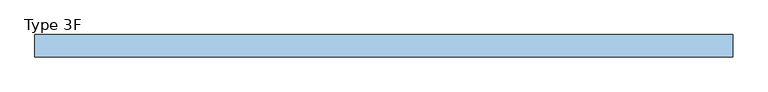
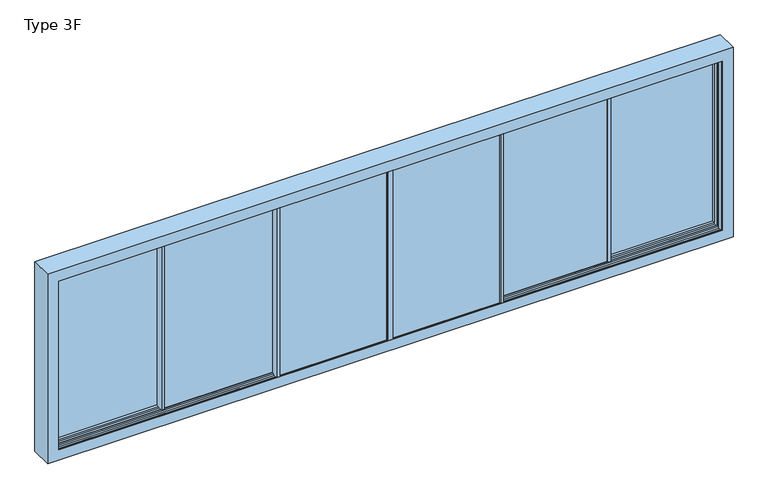
"""IFC4 building model written with IfcOpenShell, lengths in millimetres: window geometry, Type 3F."""

from ifc_helpers import new_model, si_unit, frame, origin, origin_with_axes, place, context, project, spatial, polyline, outline, extrude, faceted_brep, source, transform, mapped, element, save


def type_3f_d3a83ee2(model_context):
    return source(origin(), model_context, "Body", "SolidModel", [
        faceted_brep([(1525.3333333, -102.5, 0.0), (1545.1334063, -102.5, 0.0), (1545.1334063, -121.5001997, 0.0), (1525.3333333, -121.5001997, 0.0), (1545.1334063, -210.0, 0.0), (1510.3333333, -210.0, 0.0), (1510.3333333, -198.5, 0.0), (1545.1334063, -198.5, 0.0), (1525.3333333, -102.5, 2440.0), (1545.1334063, -102.5, 2440.0), (1545.1334063, -210.0, 2440.0), (1545.1334063, -198.5, -15.0), (1545.1334063, -121.5001997, -15.0), (1545.1334063, -121.5001997, 2440.0), (1545.1334063, -121.5001997, 2455.0), (1545.1334063, -198.5, 2455.0), (1545.1334063, -198.5, 2440.0), (1510.3333333, -210.0, 2440.0), (1510.3333333, -198.5, 2440.0), (1510.3333333, -187.0001997, 2440.0), (1510.3333333, -187.0001997, 0.0), (35.8002363, -198.5, 0.0), (35.8002363, -198.5, 2440.0), (6.0003093, -198.5, 2455.0), (6.0003093, -198.5, -15.0), (1525.3333333, -121.5001997, 2440.0), (6.0003093, -121.5001997, -15.0), (6.0003093, -121.5001997, 2455.0), (35.8002363, -121.5001997, 2440.0), (35.8002363, -121.5001997, 0.0), (1510.3333333, -121.5001997, 0.0), (1510.3333333, -121.5001997, 2440.0), (25.0002363, -187.0001997, -10.8), (25.0002363, -187.0001997, 2450.8), (1521.1333333, -187.0001997, 2450.8), (1521.1333333, -187.0001997, -10.8), (35.8002363, -187.0001997, 2440.0), (35.8002363, -187.0001997, 0.0), (25.0002363, -133.0001997, 2450.8), (25.0002363, -133.0001997, -10.8), (1521.1333333, -133.0001997, -10.8), (1521.1333333, -133.0001997, 2450.8), (35.8002363, -133.0001997, 0.0), (35.8002363, -133.0001997, 2440.0), (1510.3333333, -133.0001997, 2440.0), (1510.3333333, -133.0001997, 0.0)], [[[0, 1, 2, 3]], [[4, 5, 6, 7]], [[8, 9, 1, 0]], [[10, 4, 7, 11, 12, 2, 1, 9, 13, 14, 15, 16]], [[10, 17, 5, 4]], [[17, 18, 19, 20, 6, 5]], [[21, 22, 18, 16, 15, 23, 24, 11, 7, 6]], [[8, 0, 3, 25]], [[25, 3, 2, 12, 26, 27, 14, 13], [28, 29, 30, 31]], [[32, 33, 34, 35], [36, 37, 20, 19]], [[37, 21, 6, 20]], [[36, 22, 21, 37]], [[38, 33, 32, 39]], [[39, 32, 35, 40]], [[38, 39, 40, 41], [42, 43, 44, 45]], [[28, 43, 42, 29]], [[29, 42, 45, 30]], [[24, 26, 12, 11]], [[40, 35, 34, 41]], [[30, 45, 44, 31]], [[23, 27, 26, 24]], [[9, 8, 25, 13]], [[16, 18, 17, 10]], [[22, 36, 19, 18]], [[33, 38, 41, 34]], [[43, 28, 31, 44]], [[14, 27, 23, 15]]]),
        extrude(outline(polyline([(1521.1333333, -187.0001997), (25.0002363, -187.0001997), (25.0002363, -133.0001997), (1521.1333333, -133.0001997), (1521.1333333, -187.0001997)])), frame((0.0, 0.0, -10.8), z_axis=(0.0, 0.0, 1.0), x_axis=(1.0, 0.0, 0.0)), (0.0, 0.0, 1.0), 2461.6),
        extrude(outline(polyline([(-36.000173, -198.5), (35.8002363, -198.5), (35.8002363, -210.0), (-36.000173, -210.0), (-36.000173, -198.5)])), origin_with_axes(), (0.0, 0.0, 1.0), 2440.0),
        extrude(outline(polyline([(-36.000173, -110.0001997), (35.8002363, -110.0001997), (35.8002363, -121.5001997), (-36.000173, -121.5001997), (-36.000173, -110.0001997)])), origin_with_axes(), (0.0, 0.0, 1.0), 2440.0),
        faceted_brep([(-1525.3333333, -102.5, 0.0), (-1525.3333333, -121.5001997, 0.0), (-1545.1334063, -121.5001997, 0.0), (-1545.1334063, -102.5, 0.0), (-1545.1334063, -210.0, 0.0), (-1545.1334063, -198.5, 0.0), (-1510.3333333, -198.5, 0.0), (-1510.3333333, -210.0, 0.0), (-1525.3333333, -102.5, 2440.0), (-1545.1334063, -102.5, 2440.0), (-1545.1334063, -210.0, 2440.0), (-1545.1334063, -198.5, 2440.0), (-1545.1334063, -198.5, 2455.0), (-1545.1334063, -121.5001997, 2455.0), (-1545.1334063, -121.5001997, 2440.0), (-1545.1334063, -121.5001997, -15.0), (-1545.1334063, -198.5, -15.0), (-1510.3333333, -210.0, 2440.0), (-1510.3333333, -187.0001997, 0.0), (-1510.3333333, -187.0001997, 2440.0), (-1510.3333333, -198.5, 2440.0), (-35.8002363, -198.5, 0.0), (-6.0003093, -198.5, -15.0), (-6.0003093, -198.5, 2455.0), (-35.8002363, -198.5, 2440.0), (-1525.3333333, -121.5001997, 2440.0), (-6.0003093, -121.5001997, 2455.0), (-6.0003093, -121.5001997, -15.0), (-35.8002363, -121.5001997, 2440.0), (-1510.3333333, -121.5001997, 2440.0), (-1510.3333333, -121.5001997, 0.0), (-35.8002363, -121.5001997, 0.0), (-25.0002363, -187.0001997, -10.8), (-1521.1333333, -187.0001997, -10.8), (-1521.1333333, -187.0001997, 2450.8), (-25.0002363, -187.0001997, 2450.8), (-35.8002363, -187.0001997, 2440.0), (-35.8002363, -187.0001997, 0.0), (-25.0002363, -133.0001997, 2450.8), (-25.0002363, -133.0001997, -10.8), (-1521.1333333, -133.0001997, -10.8), (-1521.1333333, -133.0001997, 2450.8), (-35.8002363, -133.0001997, 0.0), (-1510.3333333, -133.0001997, 0.0), (-1510.3333333, -133.0001997, 2440.0), (-35.8002363, -133.0001997, 2440.0)], [[[0, 1, 2, 3]], [[4, 5, 6, 7]], [[8, 0, 3, 9]], [[10, 11, 12, 13, 14, 9, 3, 2, 15, 16, 5, 4]], [[10, 4, 7, 17]], [[17, 7, 6, 18, 19, 20]], [[21, 6, 5, 16, 22, 23, 12, 11, 20, 24]], [[8, 25, 1, 0]], [[25, 14, 13, 26, 27, 15, 2, 1], [28, 29, 30, 31]], [[32, 33, 34, 35], [36, 19, 18, 37]], [[37, 18, 6, 21]], [[36, 37, 21, 24]], [[38, 39, 32, 35]], [[39, 40, 33, 32]], [[38, 41, 40, 39], [42, 43, 44, 45]], [[28, 31, 42, 45]], [[31, 30, 43, 42]], [[22, 16, 15, 27]], [[40, 41, 34, 33]], [[30, 29, 44, 43]], [[23, 22, 27, 26]], [[9, 14, 25, 8]], [[11, 10, 17, 20]], [[24, 20, 19, 36]], [[35, 34, 41, 38]], [[45, 44, 29, 28]], [[13, 12, 23, 26]]]),
        extrude(outline(polyline([(-1521.1333333, -187.0001997), (-1521.1333333, -133.0001997), (-25.0002363, -133.0001997), (-25.0002363, -187.0001997), (-1521.1333333, -187.0001997)])), frame((0.0, 0.0, -10.8), z_axis=(0.0, 0.0, 1.0), x_axis=(1.0, 0.0, 0.0)), (0.0, 0.0, 1.0), 2461.6),
        faceted_brep([(4540.0, -198.5, 2440.0), (4540.0, -198.5, 0.0), (4540.0, -210.0, 0.0), (4540.0, -210.0, 2440.0), (4690.0, -210.0, 2590.0), (-4690.0, -210.0, 2590.0), (-4690.0, -210.0, -150.0), (4690.0, -210.0, -150.0), (-4540.0, -210.0, 0.0), (-4540.0, -210.0, 2440.0), (-4540.0, -198.5, 0.0), (4603.5, -198.5, -63.5), (-4603.5, -198.5, -63.5), (-4603.5, -198.5, 2503.5), (4603.5, -198.5, 2503.5), (-4540.0, -198.5, 2440.0), (4603.5, -121.5, -63.5), (-4603.5, -121.5, -63.5), (4603.5, -121.5, 2503.5), (-4603.5, -121.5, 2503.5), (4540.0, -121.5, 0.0), (-4540.0, -121.5, 0.0), (-4540.0, -121.5, 2440.0), (4540.0, -121.5, 2440.0), (4540.0, -98.5, 0.0), (-4540.0, -98.5, 0.0), (4603.5, -98.5, -63.5), (-4603.5, -98.5, -63.5), (-4603.5, -98.5, 2503.5), (4603.5, -98.5, 2503.5), (4540.0, -98.5, 2440.0), (-4540.0, -98.5, 2440.0), (4690.0, 90.0, -150.0), (4690.0, 90.0, 2590.0), (-4690.0, 90.0, -150.0), (-4690.0, 90.0, 2590.0), (4603.5, 78.5, -63.5), (4603.5, 78.5, 2503.5), (-4603.5, 78.5, 2503.5), (-4603.5, 78.5, -63.5), (3050.6666667, 78.5, 2455.0), (4555.0, 78.5, 2455.0), (4555.0, 78.5, -15.0), (3050.6666667, 78.5, -15.0), (3050.6666667, 78.5, 0.0), (3030.6666667, 78.5, 0.0), (-3030.6666667, 78.5, 0.0), (-3050.6666667, 78.5, 0.0), (-3050.6666667, 78.5, -15.0), (-4555.0, 78.5, -15.0), (-4555.0, 78.5, 2455.0), (-3050.6666667, 78.5, 2455.0), (-3050.6666667, 78.5, 2440.0), (-3030.6666667, 78.5, 2440.0), (3030.6666667, 78.5, 2440.0), (3050.6666667, 78.5, 2440.0), (4603.5, -21.5002996, -63.5), (-4603.5, -21.5002996, -63.5), (4603.5, -21.5002996, 2503.5), (-4603.5, -21.5002996, 2503.5), (-4540.0, 66.9995007, 2440.0), (-4540.0, 66.9995007, 0.0), (-4540.0, 90.0, 0.0), (-4540.0, 90.0, 2440.0), (3054.8666667, 12.9995007, 2450.8), (3054.8666667, 12.9995007, -10.8), (3054.8666667, 66.9995007, -10.8), (3054.8666667, 66.9995007, 2450.8), (4550.8, 66.9995007, -10.8), (4550.8, 66.9995007, 2450.8), (3065.6666667, 66.9995007, 2440.0), (4540.0, 66.9995007, 2440.0), (4540.0, 66.9995007, 0.0), (3065.6666667, 66.9995007, 0.0), (4550.8, 12.9995007, -10.8), (4550.8, 12.9995007, 2450.8), (3065.6666667, 12.9995007, 0.0), (4540.0, 12.9995007, 0.0), (4540.0, 12.9995007, 2440.0), (3065.6666667, 12.9995007, 2440.0), (3065.6666667, 89.9997004, 0.0), (3065.6666667, 89.9997004, 2440.0), (4540.0, 89.9997004, 0.0), (4540.0, 89.9997004, 2440.0), (-3065.6666667, 89.9997004, 0.0), (-3065.6666667, 89.9997004, 2440.0), (3030.6666667, 89.9997004, 2440.0), (-3030.6666667, 89.9997004, 2440.0), (-3030.6666667, 89.9997004, 0.0), (3030.6666667, 89.9997004, 0.0), (-3065.6666667, 66.9995007, 0.0), (3050.6666667, 1.4997004, -15.0), (3050.6666667, 1.4997004, 0.0), (3050.6666667, 1.4997004, 2440.0), (3050.6666667, 1.4997004, 2455.0), (4555.0, 1.4997004, -15.0), (3030.6666667, 1.4997004, 0.0), (4603.5, 1.4997004, -63.5), (-4603.5, 1.4997004, -63.5), (-4603.5, 1.4997004, 2503.5), (4603.5, 1.4997004, 2503.5), (3030.6666667, 1.4997004, 2440.0), (-3030.6666667, 1.4997004, 2440.0), (-3050.6666667, 1.4997004, 2440.0), (-3050.6666667, 1.4997004, 2455.0), (-4555.0, 1.4997004, 2455.0), (-4555.0, 1.4997004, -15.0), (-3050.6666667, 1.4997004, -15.0), (-3050.6666667, 1.4997004, 0.0), (-3030.6666667, 1.4997004, 0.0), (4555.0, 1.4997004, 2455.0), (3065.6666667, 1.4997004, 2440.0), (3065.6666667, 1.4997004, 0.0), (3050.6666667, 1.4997004, 0.0), (3050.6666667, -17.5002996, 0.0), (3030.6666667, -17.5002996, 0.0), (-3030.6666667, -17.5002996, 0.0), (-3050.6666667, -17.5002996, 0.0), (-3050.6666667, 1.4997004, 0.0), (-3065.6666667, 1.4997004, 0.0), (-3065.6666667, 12.9995007, 0.0), (-4540.0, 12.9995007, 0.0), (-4540.0, -21.5002996, 0.0), (4540.0, -21.5002996, 0.0), (3050.6666667, 1.4997004, 2440.0), (3030.6666667, -17.5002996, 2440.0), (4540.0, -21.5002996, 2440.0), (-4540.0, -21.5002996, 2440.0), (-4540.0, 12.9995007, 2440.0), (3050.6666667, -17.5002996, 2440.0), (-3065.6666667, 66.9995007, 2440.0), (-3065.6666667, 12.9995007, 2440.0), (-3065.6666667, 1.4997004, 2440.0), (-3050.6666667, 1.4997004, 2440.0), (-3050.6666667, -17.5002996, 2440.0), (-3030.6666667, -17.5002996, 2440.0), (-3054.8666667, 66.9995007, 2450.8), (-4550.8, 66.9995007, 2450.8), (-4550.8, 66.9995007, -10.8), (-3054.8666667, 66.9995007, -10.8), (-3054.8666667, 12.9995007, -10.8), (-4550.8, 12.9995007, -10.8), (-4550.8, 12.9995007, 2450.8), (-3054.8666667, 12.9995007, 2450.8)], [[[0, 1, 2, 3]], [[4, 5, 6, 7], [2, 8, 9, 3]], [[1, 10, 8, 2]], [[11, 12, 13, 14], [0, 15, 10, 1]], [[16, 17, 12, 11]], [[18, 19, 17, 16], [20, 21, 22, 23]], [[24, 25, 21, 20]], [[26, 27, 28, 29], [30, 31, 25, 24]], [[4, 7, 32, 33]], [[7, 6, 34, 32]], [[10, 15, 9, 8]], [[6, 5, 35, 34]], [[25, 31, 22, 21]], [[36, 37, 38, 39], [40, 41, 42, 43, 44, 45, 46, 47, 48, 49, 50, 51, 52, 53, 54, 55]], [[56, 57, 27, 26]], [[18, 16, 11, 14]], [[58, 56, 26, 29]], [[17, 19, 13, 12]], [[57, 59, 28, 27]], [[3, 9, 15, 0]], [[23, 22, 31, 30]], [[14, 13, 19, 18]], [[33, 35, 5, 4]], [[29, 28, 59, 58]], [[60, 61, 62, 63]], [[30, 24, 20, 23]], [[64, 65, 66, 67]], [[66, 68, 69, 67], [70, 71, 72, 73]], [[65, 74, 68, 66]], [[64, 75, 74, 65], [76, 77, 78, 79]], [[73, 80, 81, 70]], [[32, 34, 35, 33], [80, 82, 83, 81], [62, 84, 85, 63], [86, 87, 88, 89]], [[89, 88, 46, 45]], [[62, 61, 90, 84]], [[72, 82, 80, 73]], [[91, 92, 44, 43]], [[40, 55, 93, 94]], [[43, 42, 95, 91]], [[92, 96, 45, 44]], [[97, 98, 99, 100], [93, 101, 102, 103, 104, 105, 106, 107, 108, 109, 96, 92, 91, 95, 110, 94]], [[111, 112, 76, 79]], [[112, 113, 114, 115, 96, 109, 116, 117, 118, 119, 120, 121, 122, 123, 77, 76]], [[111, 124, 113, 112]], [[74, 75, 69, 68]], [[89, 45, 96, 115, 125, 101, 54, 86]], [[71, 83, 82, 72]], [[42, 41, 110, 95]], [[77, 123, 126, 78]], [[58, 59, 57, 56], [123, 122, 127, 126]], [[121, 128, 127, 122]], [[129, 125, 115, 114]], [[114, 113, 124, 129]], [[39, 98, 97, 36]], [[38, 99, 98, 39]], [[36, 97, 100, 37]], [[67, 69, 75, 64]], [[60, 63, 85, 130]], [[70, 81, 83, 71]], [[54, 53, 87, 86]], [[94, 110, 41, 40]], [[55, 54, 101, 93]], [[79, 78, 126, 127, 128, 131, 132, 133, 134, 135, 102, 101, 125, 129, 124, 111]], [[37, 100, 99, 38]], [[87, 53, 102, 135, 116, 109, 46, 88]], [[90, 130, 85, 84]], [[136, 137, 138, 139], [90, 61, 60, 130]], [[140, 141, 142, 143], [131, 128, 121, 120]], [[131, 120, 119, 132]], [[119, 118, 133, 132]], [[134, 133, 118, 117]], [[117, 116, 135, 134]], [[106, 105, 50, 49]], [[107, 106, 49, 48]], [[48, 47, 108, 107]], [[104, 103, 52, 51]], [[109, 108, 47, 46]], [[136, 139, 140, 143]], [[139, 138, 141, 140]], [[138, 137, 142, 141]], [[53, 52, 103, 102]], [[51, 50, 105, 104]], [[143, 142, 137, 136]]]),
        extrude(outline(polyline([(-3054.8666667, 66.9995007), (-3054.8666667, 12.9995007), (-4550.8, 12.9995007), (-4550.8, 66.9995007), (-3054.8666667, 66.9995007)])), frame((0.0, 0.0, -10.8), z_axis=(0.0, 0.0, 1.0), x_axis=(1.0, 0.0, 0.0)), (0.0, 0.0, 1.0), 2461.6),
        extrude(outline(polyline([(4550.8, 66.9995007), (4550.8, 12.9995007), (3054.8666667, 12.9995007), (3054.8666667, 66.9995007), (4550.8, 66.9995007)])), frame((0.0, 0.0, -10.8), z_axis=(0.0, 0.0, 1.0), x_axis=(1.0, 0.0, 0.0)), (0.0, 0.0, 1.0), 2461.6),
        faceted_brep([(4540.0, -198.5, -15.0), (4540.0, -121.5, -15.0), (4555.0, -121.5, -15.0), (4555.0, -198.5, -15.0), (4540.0, -198.5, 2455.0), (4555.0, -198.5, 2455.0), (4555.0, -121.5, 2455.0), (4540.0, -121.5, 2455.0)], [[[0, 1, 2, 3]], [[4, 0, 3, 5]], [[5, 3, 2, 6]], [[6, 2, 1, 7]], [[7, 1, 0, 4]], [[4, 5, 6, 7]]]),
        faceted_brep([(4540.0, -98.5, -15.0), (4540.0, -21.5, -15.0), (4555.0, -21.5, -15.0), (4555.0, -98.5, -15.0), (4540.0, -98.5, 2455.0), (4555.0, -98.5, 2455.0), (4555.0, -21.5, 2455.0), (4540.0, -21.5, 2455.0)], [[[0, 1, 2, 3]], [[4, 0, 3, 5]], [[5, 3, 2, 6]], [[6, 2, 1, 7]], [[7, 1, 0, 4]], [[4, 5, 6, 7]]]),
        faceted_brep([(-4540.0, -198.5, -15.0), (-4555.0, -198.5, -15.0), (-4555.0, -121.5, -15.0), (-4540.0, -121.5, -15.0), (-4540.0, -198.5, 2455.0), (-4540.0, -121.5, 2455.0), (-4555.0, -121.5, 2455.0), (-4555.0, -198.5, 2455.0)], [[[0, 1, 2, 3]], [[4, 0, 3, 5]], [[5, 3, 2, 6]], [[6, 2, 1, 7]], [[7, 1, 0, 4]], [[4, 5, 6, 7]]]),
        faceted_brep([(-4540.0, -98.5, -15.0), (-4555.0, -98.5, -15.0), (-4555.0, -21.5, -15.0), (-4540.0, -21.5, -15.0), (-4540.0, -98.5, 2455.0), (-4540.0, -21.5, 2455.0), (-4555.0, -21.5, 2455.0), (-4555.0, -98.5, 2455.0)], [[[0, 1, 2, 3]], [[4, 0, 3, 5]], [[5, 3, 2, 6]], [[6, 2, 1, 7]], [[7, 1, 0, 4]], [[4, 5, 6, 7]]]),
        faceted_brep([(1540.3333333, -21.5, 0.0), (1525.3333333, -21.5, 0.0), (1525.3333333, -98.5, 0.0), (1525.3333333, -117.5001997, 0.0), (1505.3333333, -117.5001997, 0.0), (1505.3333333, -10.0001997, 0.0), (1540.3333333, -10.0001997, 0.0), (1540.3333333, -21.5, 2440.0), (1540.3333333, -33.0001997, 2440.0), (1540.3333333, -33.0001997, 0.0), (1540.3333333, -10.0001997, 2440.0), (1505.3333333, -10.0001997, 2440.0), (1505.3333333, -117.5001997, 2440.0), (1525.3333333, -117.5001997, 2440.0), (1525.3333333, -98.5, 2440.0), (1525.3333333, -98.5, -15.0), (1525.3333333, -21.5, -15.0), (1525.3333333, -21.5, 2455.0), (1525.3333333, -21.5001997, 2440.0), (1525.3333333, -98.5, 2455.0), (3035.6666667, -21.5, 0.0), (3035.6666667, -21.5, 2440.0), (3050.6666667, -21.5, 2455.0), (3050.6666667, -21.5, 2440.0), (3050.6666667, -21.5, 0.0), (3050.6666667, -21.5, -15.0), (3035.6666667, -33.0001997, 0.0), (1529.5333333, -33.0001997, -10.8), (3046.4666667, -33.0001997, -10.8), (3046.4666667, -33.0001997, 2450.8), (1529.5333333, -33.0001997, 2450.8), (3035.6666667, -33.0001997, 2440.0), (1540.3333333, -98.5, 2440.0), (3035.6666667, -98.5, 2440.0), (3050.6666667, -98.5, 2440.0), (3050.6666667, -98.5, 2455.0), (3050.6666667, -98.5, -15.0), (3050.6666667, -98.5, 0.0), (3035.6666667, -98.5, 0.0), (1540.3333333, -98.5, 0.0), (1529.5333333, -87.0001997, 2450.8), (1529.5333333, -87.0001997, -10.8), (3046.4666667, -87.0001997, -10.8), (3046.4666667, -87.0001997, 2450.8), (1540.3333333, -87.0001997, 0.0), (3035.6666667, -87.0001997, 0.0), (3035.6666667, -87.0001997, 2440.0), (1540.3333333, -87.0001997, 2440.0), (3035.6666667, -110.0, 0.0), (3035.6666667, -110.0, 2440.0), (3050.6666667, -2.5, 0.0), (3070.6666667, -2.5, 0.0), (3070.6666667, -110.0, 0.0), (3070.6666667, -110.0, 2440.0), (3050.6666667, -2.5, 2440.0), (3070.6666667, -2.5, 2440.0)], [[[0, 1, 2, 3, 4, 5, 6]], [[7, 8, 9, 0, 6, 10]], [[10, 6, 5, 11]], [[11, 5, 4, 12]], [[12, 4, 3, 13]], [[3, 2, 14, 13]], [[15, 2, 1, 16]], [[17, 18, 14, 19]], [[20, 21, 7, 18, 17, 22, 23, 24, 25, 16, 1, 0]], [[9, 26, 20, 0]], [[27, 28, 29, 30], [8, 31, 26, 9]], [[32, 33, 34, 35, 19, 14, 2, 15, 36, 37, 38, 39]], [[40, 41, 27, 30]], [[41, 42, 28, 27]], [[40, 43, 42, 41], [44, 45, 46, 47]], [[16, 25, 36, 15]], [[32, 39, 44, 47]], [[39, 38, 45, 44]], [[42, 43, 29, 28]], [[26, 31, 21, 20]], [[25, 24, 37, 36]], [[35, 34, 23, 22]], [[38, 48, 49, 33, 46, 45]], [[38, 37, 24, 50, 51, 52, 48]], [[49, 48, 52, 53]], [[50, 24, 23, 54]], [[53, 52, 51, 55]], [[55, 51, 50, 54]], [[13, 14, 18, 7, 10, 11, 12]], [[7, 21, 31, 8]], [[30, 29, 43, 40]], [[19, 35, 22, 17]], [[47, 46, 33, 32]], [[54, 23, 34, 33, 49, 53, 55]]]),
        faceted_brep([(-1529.5333333, -33.0001997, 2450.8), (-1529.5333333, -33.0001997, -10.8), (-1529.5333333, -87.0001997, -10.8), (-1529.5333333, -87.0001997, 2450.8), (-3046.4666667, -87.0001997, -10.8), (-3046.4666667, -87.0001997, 2450.8), (-1540.3333333, -87.0001997, 2440.0), (-3035.6666667, -87.0001997, 2440.0), (-3035.6666667, -87.0001997, 0.0), (-1540.3333333, -87.0001997, 0.0), (-3046.4666667, -33.0001997, -10.8), (-3046.4666667, -33.0001997, 2450.8), (-1540.3333333, -33.0001997, 0.0), (-3035.6666667, -33.0001997, 0.0), (-3035.6666667, -33.0001997, 2440.0), (-1540.3333333, -33.0001997, 2440.0), (-1540.3333333, -21.5001997, 2440.0), (-1540.3333333, -10.0001997, 2440.0), (-1540.3333333, -10.0001997, 0.0), (-1540.3333333, -21.5001997, 0.0), (-3035.6666667, -21.5, 0.0), (-1525.3333333, -117.5001997, 0.0), (-1525.3333333, -98.5, 0.0), (-1525.3333333, -21.5, 0.0), (-1505.3333333, -10.0001997, 0.0), (-1505.3333333, -117.5001997, 0.0), (-1505.3333333, -10.0001997, 2440.0), (-1525.3333333, -21.5, -15.0), (-1525.3333333, -98.5, -15.0), (-1525.3333333, -98.5, 2455.0), (-1525.3333333, -98.5, 2440.0), (-1525.3333333, -21.5, 2440.0), (-1525.3333333, -21.5, 2455.0), (-3050.6666667, -98.5, -15.0), (-3050.6666667, -21.5, -15.0), (-1540.3333333, -98.5, 0.0), (-3035.6666667, -98.5, 0.0), (-3050.6666667, -98.5, 0.0), (-3050.6666667, -98.5, 2455.0), (-3050.6666667, -98.5, 2440.0), (-3035.6666667, -98.5, 2440.0), (-1540.3333333, -98.5, 2440.0), (-3050.6666667, -21.5, 0.0), (-3050.6666667, -21.5, 2440.0), (-3050.6666667, -21.5, 2455.0), (-3035.6666667, -21.5, 2440.0), (-3035.6666667, -110.0, 2440.0), (-3035.6666667, -110.0, 0.0), (-3050.6666667, -2.5, 0.0), (-3070.6666667, -110.0, 0.0), (-3070.6666667, -2.5, 0.0), (-3070.6666667, -110.0, 2440.0), (-3050.6666667, -2.5, 2440.0), (-1525.3333333, -117.5001997, 2440.0), (-1505.3333333, -117.5001997, 2440.0), (-3070.6666667, -2.5, 2440.0)], [[[0, 1, 2, 3]], [[2, 4, 5, 3], [6, 7, 8, 9]], [[1, 10, 4, 2]], [[0, 11, 10, 1], [12, 13, 14, 15]], [[16, 17, 18, 19, 12, 15]], [[19, 20, 13, 12]], [[21, 22, 23, 19, 18, 24, 25]], [[26, 24, 18, 17]], [[27, 23, 22, 28]], [[29, 30, 31, 32]], [[28, 33, 34, 27]], [[35, 36, 37, 33, 28, 22, 30, 29, 38, 39, 40, 41]], [[19, 23, 27, 34, 42, 43, 44, 32, 31, 16, 45, 20]], [[6, 9, 35, 41]], [[9, 8, 36, 35]], [[10, 11, 5, 4]], [[20, 45, 14, 13]], [[33, 37, 42, 34]], [[44, 43, 39, 38]], [[8, 7, 40, 46, 47, 36]], [[48, 42, 37, 36, 47, 49, 50]], [[51, 49, 47, 46]], [[52, 43, 42, 48]], [[53, 30, 22, 21]], [[53, 21, 25, 54]], [[54, 25, 24, 26]], [[52, 48, 50, 55]], [[55, 50, 49, 51]], [[3, 5, 11, 0]], [[15, 14, 45, 16]], [[16, 31, 30, 53, 54, 26, 17]], [[32, 44, 38, 29]], [[41, 40, 7, 6]], [[40, 39, 43, 52, 55, 51, 46]]]),
        extrude(outline(polyline([(-1529.5333333, -33.0001997), (-1529.5333333, -87.0001997), (-3046.4666667, -87.0001997), (-3046.4666667, -33.0001997), (-1529.5333333, -33.0001997)])), frame((0.0, 0.0, -10.8), z_axis=(0.0, 0.0, 1.0), x_axis=(1.0, 0.0, 0.0)), (0.0, 0.0, 1.0), 2461.6),
        extrude(outline(polyline([(3046.4666667, -33.0001997), (3046.4666667, -87.0001997), (1529.5333333, -87.0001997), (1529.5333333, -33.0001997), (3046.4666667, -33.0001997)])), frame((0.0, 0.0, -10.8), z_axis=(0.0, 0.0, 1.0), x_axis=(1.0, 0.0, 0.0)), (0.0, 0.0, 1.0), 2461.6),
        extrude(outline(polyline([(-3050.6666667, 78.5), (3050.6666667, 78.5), (3050.6666667, 1.5), (-3050.6666667, 1.5), (-3050.6666667, 78.5)])), frame((0.0, 0.0, -15.0103828), z_axis=(0.0, 0.0, 1.0), x_axis=(1.0, 0.0, 0.0)), (0.0, 0.0, 1.0), 15.0103828),
        extrude(outline(polyline([(-1525.3333333, -21.5), (1525.3333333, -21.5), (1525.3333333, -98.5), (-1525.3333333, -98.5), (-1525.3333333, -21.5)])), frame((0.0, 0.0, -15.0103828), z_axis=(0.0, 0.0, 1.0), x_axis=(1.0, 0.0, 0.0)), (0.0, 0.0, 1.0), 15.0103828),
        extrude(outline(polyline([(-121.5, -63.5), (-198.5, -63.5), (-198.5, -28.0), (-169.9900671, -28.0), (-160.0, -32.6584448), (-150.0099329, -28.0), (-121.5, -28.0), (-121.5, -63.5)])), frame((-4555.0, 0.0, 0.0), z_axis=(1.0, 0.0, 0.0), x_axis=(0.0, 1.0, 0.0)), (0.0, 0.0, 1.0), 9110.0),
        extrude(outline(polyline([(-21.4998003, -63.5), (-98.4998003, -63.5), (-98.4998003, -28.0), (-69.9898674, -28.0), (-59.9998003, -32.6584448), (-50.0097332, -28.0), (-21.4998003, -28.0), (-21.4998003, -63.5)])), frame((-4555.0, 0.0, 0.0), z_axis=(1.0, 0.0, 0.0), x_axis=(0.0, 1.0, 0.0)), (0.0, 0.0, 1.0), 9110.0),
        extrude(outline(polyline([(-3050.6666667, 78.5002996), (3050.6666667, 78.5002996), (3050.6666667, 1.5002996), (-3050.6666667, 1.5002996), (-3050.6666667, 78.5002996)])), frame((0.0, 0.0, 2440.0103828), z_axis=(0.0, 0.0, 1.0), x_axis=(1.0, 0.0, 0.0)), (0.0, 0.0, 1.0), 14.9896172),
        extrude(outline(polyline([(-1525.3333333, -21.5), (1525.3333333, -21.5), (1525.3333333, -98.5), (-1525.3333333, -98.5), (-1525.3333333, -21.5)])), frame((0.0, 0.0, 2440.0103828), z_axis=(0.0, 0.0, 1.0), x_axis=(1.0, 0.0, 0.0)), (0.0, 0.0, 1.0), 14.9896172),
        extrude(outline(polyline([(-4555.0, -152.3501997), (4555.0, -152.3501997), (4555.0, -167.6501997), (-4555.0, -167.6501997), (-4555.0, -152.3501997)])), frame((0.0, 0.0, 2476.5103828), z_axis=(0.0, 0.0, 1.0), x_axis=(1.0, 0.0, 0.0)), (0.0, 0.0, 1.0), 26.9896172),
        extrude(outline(polyline([(-4555.0, -52.3504993), (4555.0, -52.3504993), (4555.0, -67.6504993), (-4555.0, -67.6504993), (-4555.0, -52.3504993)])), frame((0.0, 0.0, 2476.5103828), z_axis=(0.0, 0.0, 1.0), x_axis=(1.0, 0.0, 0.0)), (0.0, 0.0, 1.0), 26.9896172),
    ])


if __name__ == "__main__":
    model = new_model("IFC4")
    model_context = context("Model", 3, world=origin())
    ifc_project = project(units=[si_unit("LENGTHUNIT", "METRE", prefix="MILLI")], contexts=[model_context])
    site = spatial("IfcSite", under=ifc_project)
    building = spatial("IfcBuilding", under=site)
    placement = place(None, origin())
    type_3f_shape = type_3f_d3a83ee2(model_context)
    element("IfcWindow", 1, ObjectType="Type 3F", at=placement, inside=building, context=model_context, shape_type="MappedRepresentation", body=[
        mapped(type_3f_shape, transform((0.0, 0.0, 0.0), x_axis=(1.0, 0.0, 0.0), y_axis=(0.0, 1.0, 0.0), z_axis=(0.0, 0.0, 1.0))),
    ])
    save(model, "model.ifc")
